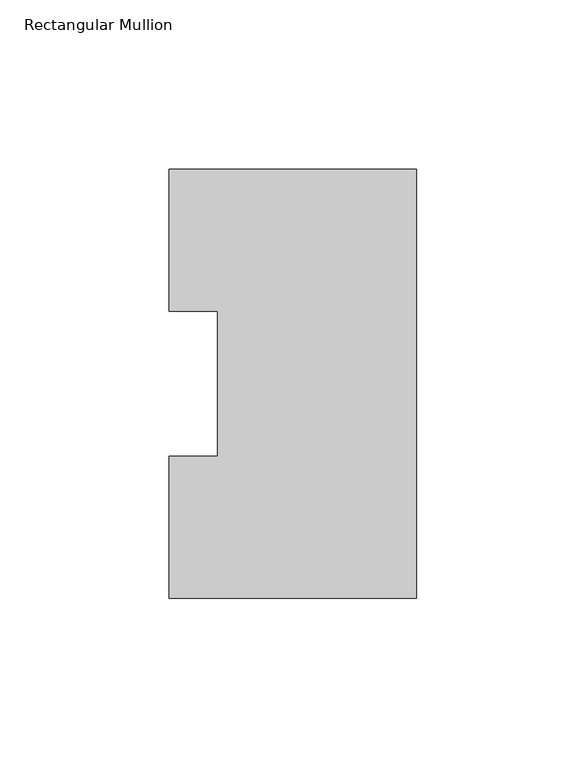
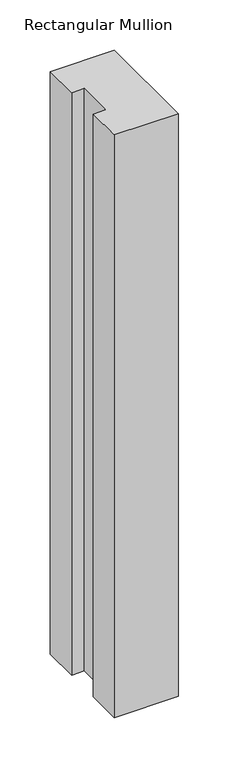
"""IFC4 building model written with IfcOpenShell, lengths in millimetres: member geometry, Rectangular Mullion."""

from ifc_helpers import new_model, si_unit, frame, origin, place, context, project, spatial, polyline, outline, extrude, source, transform, mapped, element, save


def rectangular_mullion_8b265626(model_context):
    return source(origin(), model_context, "Body", "SweptSolid", [
        extrude(outline(polyline([(0.0, 126.4546937), (0.0, -0.0373063), (-73.025, -0.0373063), (-73.025, 41.7837937), (-58.7375, 41.7837937), (-58.7375, 84.6335938), (-73.025, 84.6335938), (-73.025, 126.4546937), (0.0, 126.4546937)])), frame((0.0, 0.0, -704.81825), z_axis=(0.0, 0.0, 1.0), x_axis=(1.0, 0.0, 0.0)), (0.0, 0.0, 1.0), 704.81825),
    ])


if __name__ == "__main__":
    model = new_model("IFC4")
    model_context = context("Model", 3, world=origin())
    ifc_project = project(units=[si_unit("LENGTHUNIT", "METRE", prefix="MILLI")], contexts=[model_context])
    site = spatial("IfcSite", under=ifc_project)
    building = spatial("IfcBuilding", under=site)
    placement = place(None, origin())
    rectangular_mullion_shape = rectangular_mullion_8b265626(model_context)
    element("IfcMember", 1, ObjectType="Rectangular Mullion", at=placement, inside=building, context=model_context, shape_type="MappedRepresentation", body=[
        mapped(rectangular_mullion_shape, transform((0.0, 0.0, 0.0), x_axis=(1.0, 0.0, 0.0), y_axis=(0.0, 1.0, 0.0), z_axis=(0.0, 0.0, 1.0))),
    ])
    save(model, "model.ifc")
